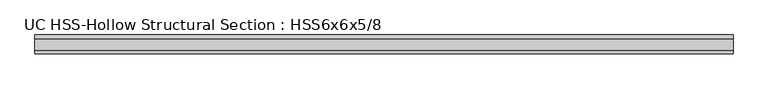
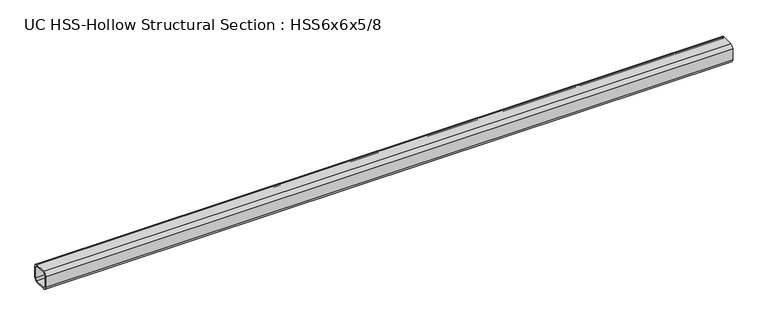
"""IFC4 building model written with IfcOpenShell, lengths in millimetres: beam geometry, UC HSS-Hollow Structural Section : HSS6x6x5/8."""

from ifc_helpers import new_model, si_unit, point, frame, frame_2d, origin, place, context, project, spatial, polyline, circle_curve, trimmed, segment, composite_curve, outline, extrude, source, transform, mapped, element, save


def uc_hss_hollow_structural_section_hss6x6x5_8_44001468(model_context):
    return source(origin(), model_context, "Body", "SweptSolid", [
        extrude(outline(composite_curve([segment(polyline([(76.2, 46.6852), (76.2, -46.6852)]), True, "CONTINUOUS"), segment(trimmed(circle_curve(frame_2d((46.6852, -46.6852)), 29.5148), [point((76.2, -46.6852))], [point((46.6852, -76.2))], False, "CARTESIAN"), True, "CONTINUOUS"), segment(polyline([(46.6852, -76.2), (-46.6852, -76.2)]), True, "CONTINUOUS"), segment(trimmed(circle_curve(frame_2d((-46.6852, -46.6852)), 29.5148), [point((-46.6852, -76.2))], [point((-76.2, -46.6852))], False, "CARTESIAN"), True, "CONTINUOUS"), segment(polyline([(-76.2, -46.6852), (-76.2, 46.6852)]), True, "CONTINUOUS"), segment(trimmed(circle_curve(frame_2d((-46.6852, 46.6852)), 29.5148), [point((-76.2, 46.6852))], [point((-46.6852, 76.2))], False, "CARTESIAN"), True, "CONTINUOUS"), segment(polyline([(-46.6852, 76.2), (46.6852, 76.2)]), True, "CONTINUOUS"), segment(trimmed(circle_curve(frame_2d((46.6852, 46.6852)), 29.5148), [point((46.6852, 76.2))], [point((76.2, 46.6852))], False, "CARTESIAN"), True, "CONTINUOUS")], self_intersect=False), holes=[composite_curve([segment(trimmed(circle_curve(frame_2d((-46.6852, 46.6852)), 14.7574), [point((-46.6852, 61.4426))], [point((-61.4426, 46.6852))], True, "CARTESIAN"), True, "CONTINUOUS"), segment(polyline([(-61.4426, 46.6852), (-61.4426, -46.6852)]), True, "CONTINUOUS"), segment(trimmed(circle_curve(frame_2d((-46.6852, -46.6852)), 14.7574), [point((-61.4426, -46.6852))], [point((-46.6852, -61.4426))], True, "CARTESIAN"), True, "CONTINUOUS"), segment(polyline([(-46.6852, -61.4426), (46.6852, -61.4426)]), True, "CONTINUOUS"), segment(trimmed(circle_curve(frame_2d((46.6852, -46.6852)), 14.7574), [point((46.6852, -61.4426))], [point((61.4426, -46.6852))], True, "CARTESIAN"), True, "CONTINUOUS"), segment(polyline([(61.4426, -46.6852), (61.4426, 46.6852)]), True, "CONTINUOUS"), segment(trimmed(circle_curve(frame_2d((46.6852, 46.6852)), 14.7574), [point((61.4426, 46.6852))], [point((46.6852, 61.4426))], True, "CARTESIAN"), True, "CONTINUOUS"), segment(polyline([(46.6852, 61.4426), (-46.6852, 61.4426)]), True, "CONTINUOUS")], self_intersect=False)]), frame((-2885.4325347, 0.0, 0.0), z_axis=(1.0, 0.0, 0.0), x_axis=(0.0, 1.0, 0.0)), (0.0, 0.0, 1.0), 5637.0993932),
    ])


if __name__ == "__main__":
    model = new_model("IFC4")
    model_context = context("Model", 3, world=origin())
    ifc_project = project(units=[si_unit("LENGTHUNIT", "METRE", prefix="MILLI")], contexts=[model_context])
    site = spatial("IfcSite", under=ifc_project)
    building = spatial("IfcBuilding", under=site)
    placement = place(None, origin())
    uc_hss_hollow_structural_section_hss6x6x5_8_shape = uc_hss_hollow_structural_section_hss6x6x5_8_44001468(model_context)
    element("IfcBeam", 1, ObjectType="UC HSS-Hollow Structural Section : HSS6x6x5/8", at=placement, inside=building, context=model_context, shape_type="MappedRepresentation", body=[
        mapped(uc_hss_hollow_structural_section_hss6x6x5_8_shape, transform((0.0, 0.0, 0.0), x_axis=(1.0, 0.0, 0.0), y_axis=(0.0, 1.0, 0.0), z_axis=(0.0, 0.0, 1.0))),
    ])
    save(model, "model.ifc")
